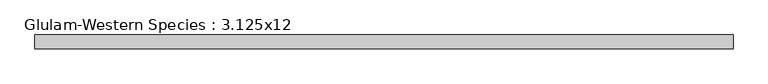
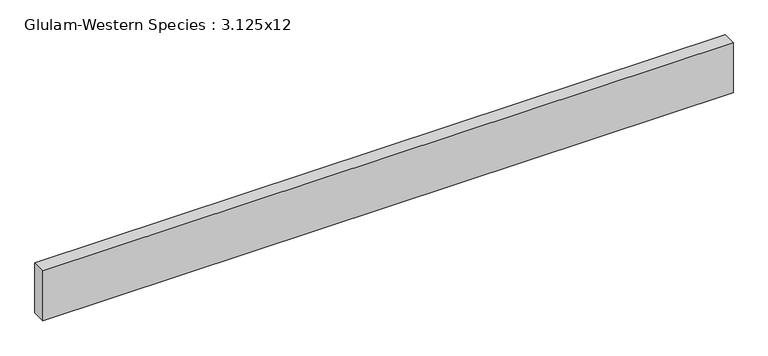
"""IFC4 building model written with IfcOpenShell, lengths in millimetres: beam geometry, Glulam-Western Species : 3.125x12."""

from ifc_helpers import new_model, si_unit, frame, origin, place, context, project, spatial, polyline, outline, extrude, source, transform, mapped, element, save


def glulam_western_species_3_125x12_0810f341(model_context):
    return source(origin(), model_context, "Body", "SweptSolid", [
        extrude(outline(polyline([(1993.8999994, 39.6875), (1993.8999994, -39.6875), (-1993.8999994, -39.6875), (-1993.8999994, 39.6875), (1993.8999994, 39.6875)])), frame((0.0, 0.0, -152.4), z_axis=(0.0, 0.0, 1.0), x_axis=(1.0, 0.0, 0.0)), (0.0, 0.0, 1.0), 304.8),
    ])


if __name__ == "__main__":
    model = new_model("IFC4")
    model_context = context("Model", 3, world=origin())
    ifc_project = project(units=[si_unit("LENGTHUNIT", "METRE", prefix="MILLI")], contexts=[model_context])
    site = spatial("IfcSite", under=ifc_project)
    building = spatial("IfcBuilding", under=site)
    placement = place(None, origin())
    glulam_western_species_3_125x12_shape = glulam_western_species_3_125x12_0810f341(model_context)
    element("IfcBeam", 1, ObjectType="Glulam-Western Species : 3.125x12", at=placement, inside=building, context=model_context, shape_type="MappedRepresentation", body=[
        mapped(glulam_western_species_3_125x12_shape, transform((0.0, 0.0, 0.0), x_axis=(1.0, 0.0, 0.0), y_axis=(0.0, 1.0, 0.0), z_axis=(0.0, 0.0, 1.0))),
    ])
    save(model, "model.ifc")
